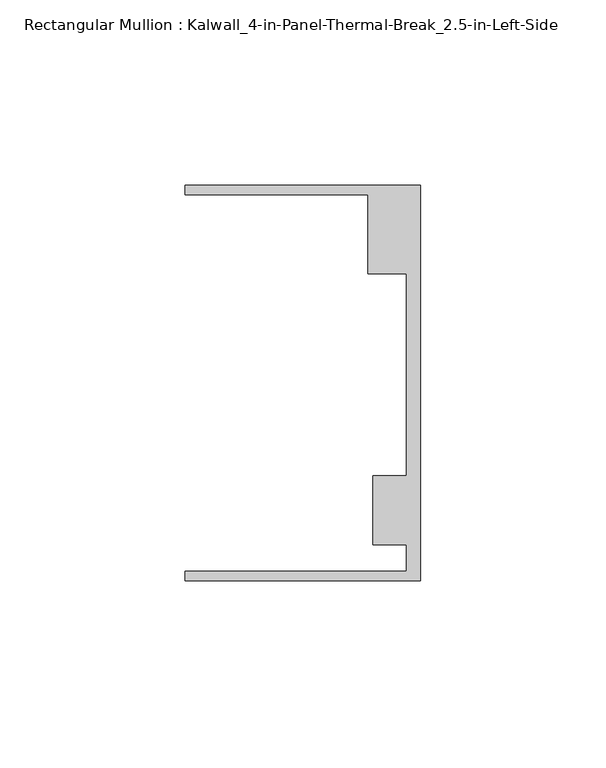
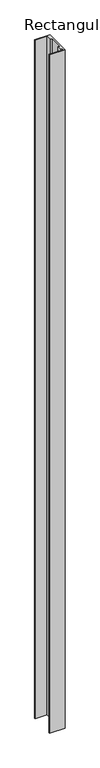
"""IFC4 building model written with IfcOpenShell, lengths in millimetres: member geometry, Rectangular Mullion : Kalwall_4-in-Panel-Thermal-Break_2.5-in-Left-Side."""

import ifcopenshell
import ifcopenshell.guid

model = None  # the IFC model being written
_history = None  # IfcOwnerHistory: only IFC2X3 demands one
_inside = {}  # id of a spatial element -> (the spatial element, [elements in it])
_under = {}  # id of a project, library or spatial element -> (it, [spatial elements below it])
_declared = {}  # id of a project -> (the project, [libraries it declares])
_typed = {}  # id of a type object -> (the type object, [elements of that type])
_made_of = {}  # id of a material, layer set ... -> (it, [elements and type objects made of it])


def new_model(schema):
    """Start an empty IFC model of exactly this schema.

    Asked for "IFC4X3", IfcOpenShell would pick the latest addendum, in which some entities
    have other attributes; the version numbers below select the first issue.
    IFC2X3 requires an IfcOwnerHistory on every rooted entity: one is made here for all.
    """
    global model, _history
    if schema == "IFC4X3":
        model = ifcopenshell.file(schema_version=(4, 3, 0, 0))
    else:
        model = ifcopenshell.file(schema=schema)
    _inside.clear()
    _under.clear()
    _declared.clear()
    _typed.clear()
    _made_of.clear()
    _history = None
    if model.schema == "IFC2X3":
        org = make("IfcOrganization", Name="unknown")
        user = make(
            "IfcPersonAndOrganization",
            ThePerson=make("IfcPerson", FamilyName="unknown"),
            TheOrganization=org,
        )
        app = make(
            "IfcApplication",
            ApplicationDeveloper=org,
            Version="unknown",
            ApplicationFullName="unknown",
            ApplicationIdentifier="unknown",
        )
        _history = make(
            "IfcOwnerHistory",
            OwningUser=user,
            OwningApplication=app,
            ChangeAction="ADDED",
            CreationDate=0,
        )
    return model


def make(cls, **values):
    """One entity of the class cls with the attributes given. An attribute that is None is left unset."""
    return model.create_entity(
        cls, **{name: value for name, value in values.items() if value is not None}
    )


def rooted(cls, **values):
    """An entity with a GlobalId (a new one), such as an element, a storey or a relation."""
    return make(cls, GlobalId=ifcopenshell.guid.new(), OwnerHistory=_history, **values)


def si_unit(unit_type, name, prefix=None):
    """IfcSIUnit, for example si_unit("LENGTHUNIT", "METRE", prefix="MILLI")."""
    return make("IfcSIUnit", UnitType=unit_type, Prefix=prefix, Name=name)


def assignment(units):
    """IfcUnitAssignment: the units of a project."""
    return None if units is None else make("IfcUnitAssignment", Units=units)


def point(xyz):
    """IfcCartesianPoint."""
    return None if xyz is None else make("IfcCartesianPoint", Coordinates=xyz)


def direction(xyz):
    """IfcDirection."""
    return None if xyz is None else make("IfcDirection", DirectionRatios=xyz)


def frame(location, z_axis=None, x_axis=None):
    """IfcAxis2Placement3D, a coordinate frame: its origin and axes. An axis left out is left unset."""
    return make(
        "IfcAxis2Placement3D",
        Location=point(location),
        Axis=direction(z_axis),
        RefDirection=direction(x_axis),
    )


def origin():
    """The frame at (0, 0, 0) with its axes left unset."""
    return frame((0.0, 0.0, 0.0))


def place(relative_to, where):
    """IfcLocalPlacement: puts the frame where relative to a parent placement (None: the world)."""
    return make(
        "IfcLocalPlacement", PlacementRelTo=relative_to, RelativePlacement=where
    )


def context(
    kind, dimensions, precision=None, world=None, true_north=None, identifier=None
):
    """IfcGeometricRepresentationContext, for example the 3D "Model" context."""
    return make(
        "IfcGeometricRepresentationContext",
        ContextIdentifier=identifier,
        ContextType=kind,
        CoordinateSpaceDimension=dimensions,
        Precision=precision,
        WorldCoordinateSystem=world,
        TrueNorth=true_north,
    )


def project(units=None, contexts=None):
    """IfcProject with its units and contexts."""
    return rooted(
        "IfcProject",
        Name="project",
        RepresentationContexts=contexts,
        UnitsInContext=assignment(units),
    )


def spatial(cls, under=None, at=None, **own):
    """A site, building, storey or space (cls), placed at a placement, below another one or the project."""
    s = rooted(cls, ObjectPlacement=at, **own)
    if under is not None:
        _under.setdefault(under.id(), (under, []))[1].append(s)
    return s


def polyline(points):
    """IfcPolyline through the points."""
    return make("IfcPolyline", Points=[point(p) for p in points])


def outline(outer, holes=None, kind="AREA"):
    """IfcArbitraryClosedProfileDef: a profile drawn as a closed curve; with holes, ...WithVoids."""
    if holes is None:
        return make("IfcArbitraryClosedProfileDef", ProfileType=kind, OuterCurve=outer)
    return make(
        "IfcArbitraryProfileDefWithVoids",
        ProfileType=kind,
        OuterCurve=outer,
        InnerCurves=holes,
    )


def extrude(swept, where, along, depth):
    """IfcExtrudedAreaSolid: the profile swept, set in the frame where, extruded along a direction by depth."""
    return make(
        "IfcExtrudedAreaSolid",
        SweptArea=swept,
        Position=where,
        ExtrudedDirection=direction(along),
        Depth=depth,
    )


def shape(context_of_items, identifier, shape_type, items):
    """IfcShapeRepresentation: the items that make up one representation, for example the "Body"."""
    return make(
        "IfcShapeRepresentation",
        ContextOfItems=context_of_items,
        RepresentationIdentifier=identifier,
        RepresentationType=shape_type,
        Items=items,
    )


def source(mapping_origin, context_of_items, identifier, shape_type, items):
    """IfcRepresentationMap: a shape defined once, which mapped items show again and again."""
    return make(
        "IfcRepresentationMap",
        MappingOrigin=mapping_origin,
        MappedRepresentation=shape(context_of_items, identifier, shape_type, items),
    )


def transform(
    local_origin,
    x_axis=None,
    y_axis=None,
    z_axis=None,
    scale=None,
    scale2=None,
    scale3=None,
    uniform=True,
):
    """IfcCartesianTransformationOperator3D, or its non-uniform kind. x_axis, y_axis, z_axis: its Axis1, 2, 3."""
    if uniform:
        return make(
            "IfcCartesianTransformationOperator3D",
            Axis1=direction(x_axis),
            Axis2=direction(y_axis),
            LocalOrigin=point(local_origin),
            Scale=scale,
            Axis3=direction(z_axis),
        )
    return make(
        "IfcCartesianTransformationOperator3DnonUniform",
        Axis1=direction(x_axis),
        Axis2=direction(y_axis),
        LocalOrigin=point(local_origin),
        Scale=scale,
        Axis3=direction(z_axis),
        Scale2=scale2,
        Scale3=scale3,
    )


def mapped(mapping_source, mapping_target):
    """IfcMappedItem: shows the shape of a source again, moved by a transform."""
    return make(
        "IfcMappedItem", MappingSource=mapping_source, MappingTarget=mapping_target
    )


def made_of(thing, what):
    """Note that an element or type object is made of a material, layer set ...; save() writes the relation."""
    if what is not None:
        _made_of.setdefault(what.id(), (what, []))[1].append(thing)
    return thing


def element(
    cls,
    number,
    at=None,
    inside=None,
    cuts=None,
    type_object=None,
    material=None,
    context=None,
    identifier="Body",
    shape_type=None,
    held_by="IfcProductDefinitionShape",
    body=None,
    shapes=None,
    **own,
):
    """One element of the class cls, such as IfcWall. Its Tag is "e" and its number.

    at: its placement. inside: the storey or other place that contains it. cuts: it is an
    opening in that element (IfcRelVoidsElement). A single representation is given by context,
    identifier, shape_type and body (its items); several are given by shapes. held_by: the class
    of the entity that holds the representations. save() writes the other relations.
    """
    e = rooted(cls, Tag="e%d" % number, ObjectPlacement=at, **own)
    if body is not None:
        shapes = [shape(context, identifier, shape_type, body)]
    if shapes is not None:
        e.Representation = make(held_by, Representations=shapes)
    if inside is not None:
        _inside.setdefault(inside.id(), (inside, []))[1].append(e)
    if cuts is not None:
        rooted(
            "IfcRelVoidsElement", RelatingBuildingElement=cuts, RelatedOpeningElement=e
        )
    if type_object is not None:
        _typed.setdefault(type_object.id(), (type_object, []))[1].append(e)
    return made_of(e, material)


def aggregate(whole, parts):
    """IfcRelAggregates: a whole, such as a stair, and the parts it consists of."""
    return rooted("IfcRelAggregates", RelatingObject=whole, RelatedObjects=parts)


def save(model, path):
    """Write the relations noted so far, then the file.

    IfcRelAggregates (storeys below a building ...), IfcRelContainedInSpatialStructure (elements
    in a storey), IfcRelDefinesByType, IfcRelAssociatesMaterial and IfcRelDeclares: one each for
    every whole, place, type object, material and project.
    """
    for whole, parts in _under.values():
        aggregate(whole, parts)
    for where, things in _inside.values():
        rooted(
            "IfcRelContainedInSpatialStructure",
            RelatedElements=things,
            RelatingStructure=where,
        )
    for kind, things in _typed.values():
        rooted("IfcRelDefinesByType", RelatedObjects=things, RelatingType=kind)
    for what, things in _made_of.values():
        rooted("IfcRelAssociatesMaterial", RelatedObjects=things, RelatingMaterial=what)
    for by, libraries in _declared.values():
        rooted("IfcRelDeclares", RelatingContext=by, RelatedDefinitions=libraries)
    model.write(path)


def rectangular_mullion_kalwall_4_in_panel_thermal_break_2_5_in_cbcd53bc(model_context):
    return source(origin(), model_context, "Body", "SweptSolid", [
        extrude(outline(polyline([(0.0, -53.3026386), (-63.5, -53.3026386), (-63.5, -50.7626386), (-3.7084, -50.7626386), (-3.7084, -43.6138568), (-12.8272539, -43.6138568), (-12.8272539, -24.9129886), (-3.7084, -24.9129886), (-3.7084, 29.5648614), (-14.1732, 29.5648614), (-14.1732, 50.8373614), (-63.5, 50.8373614), (-63.5, 53.3773614), (0.0, 53.3773614), (0.0, -53.3026386)])), frame((0.0, 0.0, -2971.8), z_axis=(0.0, 0.0, 1.0), x_axis=(1.0, 0.0, 0.0)), (0.0, 0.0, 1.0), 2971.8),
    ])


if __name__ == "__main__":
    model = new_model("IFC4")
    model_context = context("Model", 3, world=origin())
    ifc_project = project(units=[si_unit("LENGTHUNIT", "METRE", prefix="MILLI")], contexts=[model_context])
    site = spatial("IfcSite", under=ifc_project)
    building = spatial("IfcBuilding", under=site)
    placement = place(None, origin())
    rectangular_mullion_kalwall_4_in_panel_thermal_break_2_5_in_shape = rectangular_mullion_kalwall_4_in_panel_thermal_break_2_5_in_cbcd53bc(model_context)
    element("IfcMember", 1, ObjectType="Rectangular Mullion : Kalwall_4-in-Panel-Thermal-Break_2.5-in-Left-Side", at=placement, inside=building, context=model_context, shape_type="MappedRepresentation", body=[
        mapped(rectangular_mullion_kalwall_4_in_panel_thermal_break_2_5_in_shape, transform((0.0, 0.0, 0.0), x_axis=(1.0, 0.0, 0.0), y_axis=(0.0, 1.0, 0.0), z_axis=(0.0, 0.0, 1.0))),
    ])
    save(model, "model.ifc")
